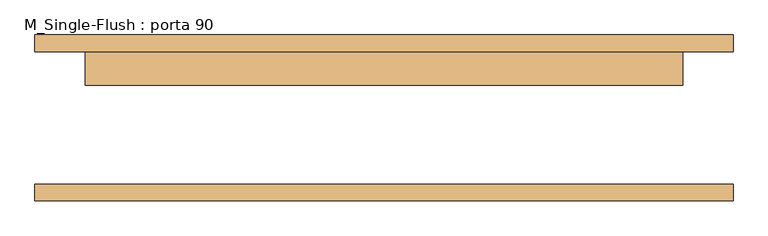
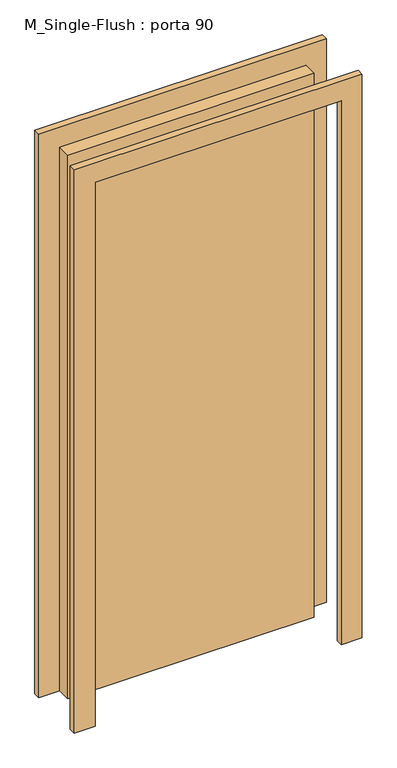
"""IFC4 building model written with IfcOpenShell, lengths in millimetres: door geometry, M_Single-Flush : porta 90."""

from ifc_helpers import new_model, si_unit, frame, origin, origin_with_axes, place, context, project, spatial, polyline, outline, extrude, source, transform, mapped, element, save


def m_single_flush_porta_90_8cb0c558(model_context):
    return source(origin(), model_context, "Body", "SweptSolid", [
        extrude(outline(polyline([(2176.0, -526.0), (0.0, -526.0), (0.0, -450.0), (2100.0, -450.0), (2100.0, 450.0), (0.0, 450.0), (0.0, 526.0), (2176.0, 526.0), (2176.0, -526.0)])), frame((0.0, 100.0, 0.0), z_axis=(0.0, 1.0, 0.0), x_axis=(0.0, 0.0, 1.0)), (0.0, 0.0, 1.0), 25.0),
        extrude(outline(polyline([(2176.0, 526.0), (2176.0, -526.0), (0.0, -526.0), (0.0, -450.0), (2100.0, -450.0), (2100.0, 450.0), (0.0, 450.0), (0.0, 526.0), (2176.0, 526.0)])), frame((0.0, -125.0, 0.0), z_axis=(0.0, 1.0, 0.0), x_axis=(0.0, 0.0, 1.0)), (0.0, 0.0, 1.0), 25.0),
        extrude(outline(polyline([(450.0, 49.0), (-450.0, 49.0), (-450.0, 100.0), (450.0, 100.0), (450.0, 49.0)])), origin_with_axes(), (0.0, 0.0, 1.0), 2100.0),
    ])


if __name__ == "__main__":
    model = new_model("IFC4")
    model_context = context("Model", 3, world=origin())
    ifc_project = project(units=[si_unit("LENGTHUNIT", "METRE", prefix="MILLI")], contexts=[model_context])
    site = spatial("IfcSite", under=ifc_project)
    building = spatial("IfcBuilding", under=site)
    placement = place(None, origin())
    m_single_flush_porta_90_shape = m_single_flush_porta_90_8cb0c558(model_context)
    element("IfcDoor", 1, ObjectType="M_Single-Flush : porta 90", at=placement, inside=building, context=model_context, shape_type="MappedRepresentation", body=[
        mapped(m_single_flush_porta_90_shape, transform((0.0, 0.0, 0.0), x_axis=(1.0, 0.0, 0.0), y_axis=(0.0, 1.0, 0.0), z_axis=(0.0, 0.0, 1.0))),
    ])
    save(model, "model.ifc")
